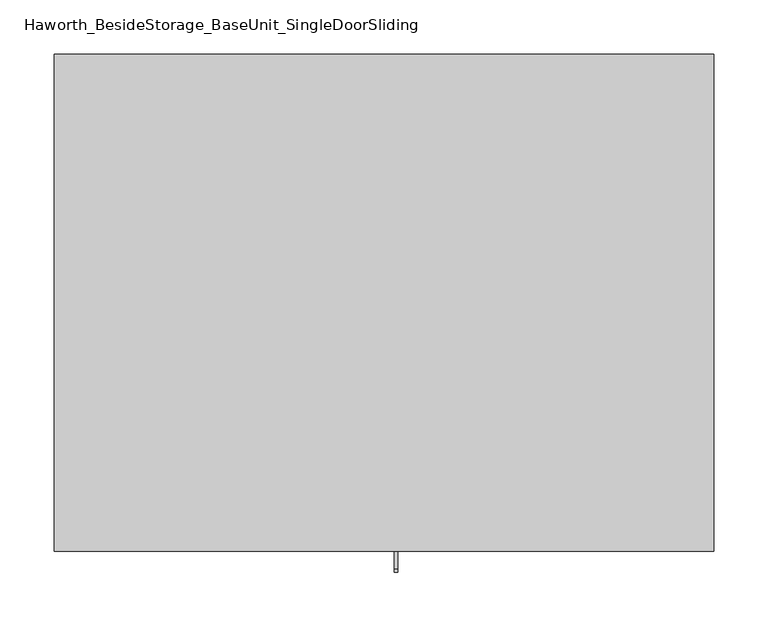
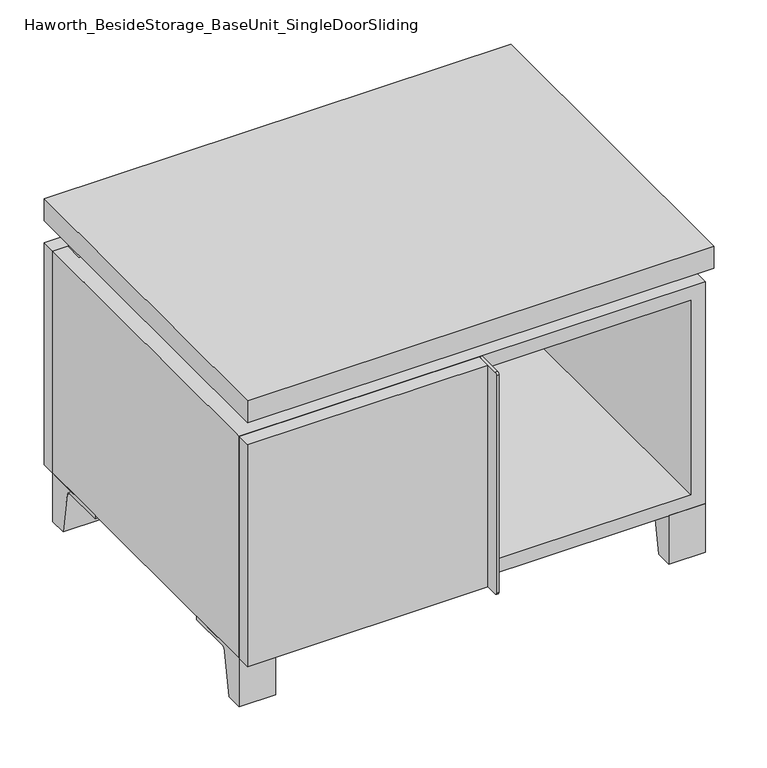
"""IFC4 building model written with IfcOpenShell, lengths in millimetres: furniture geometry, Haworth_BesideStorage_BaseUnit_SingleDoorSliding."""

from ifc_helpers import new_model, si_unit, point, frame, frame_2d, origin, place, context, project, spatial, polyline, circle_curve, trimmed, segment, composite_curve, outline, extrude, faceted_brep, source, transform, mapped, element, save


def haworth_besidestorage_baseunit_singledoorsliding_89e0388c(model_context):
    return source(origin(), model_context, "Body", "SolidModel", [
        extrude(outline(composite_curve([segment(polyline([(-123.2958469, 0.0), (-146.05, 0.0), (-146.05, 66.675), (-50.8, 66.675), (-50.8, 61.8963321), (-107.6005345, 61.8963321)]), True, "CONTINUOUS"), segment(trimmed(circle_curve(frame_2d((-107.6005345, 55.5463321)), 6.35), [point((-107.6005345, 61.8963321))], [point((-113.8641359, 56.5902656))], True, "CARTESIAN"), True, "CONTINUOUS"), segment(polyline([(-113.8641359, 56.5902656), (-123.2958469, 0.0)]), True, "CONTINUOUS")], self_intersect=False)), frame((255.6013906, 0.0, 0.0), z_axis=(1.0, 0.0, 0.0), x_axis=(0.0, 1.0, 0.0)), (0.0, 0.0, 1.0), 47.625),
        extrude(outline(composite_curve([segment(polyline([(250.2958469, 0.0), (240.8641359, 56.5902656)]), True, "CONTINUOUS"), segment(trimmed(circle_curve(frame_2d((234.6005345, 55.5463321)), 6.35), [point((240.8641359, 56.5902656))], [point((234.6005345, 61.8963321))], True, "CARTESIAN"), True, "CONTINUOUS"), segment(polyline([(234.6005345, 61.8963321), (177.8, 61.8963321), (177.8, 66.675), (273.05, 66.675), (273.05, 0.0), (250.2958469, 0.0)]), True, "CONTINUOUS")], self_intersect=False)), frame((255.6013906, 0.0, 0.0), z_axis=(1.0, 0.0, 0.0), x_axis=(0.0, 1.0, 0.0)), (0.0, 0.0, 1.0), 47.625),
        extrude(outline(composite_curve([segment(polyline([(-123.2958469, 0.0), (-146.05, 0.0), (-146.05, 66.675), (-50.8, 66.675), (-50.8, 61.8963321), (-107.6005345, 61.8963321)]), True, "CONTINUOUS"), segment(trimmed(circle_curve(frame_2d((-107.6005345, 55.5463321)), 6.35), [point((-107.6005345, 61.8963321))], [point((-113.8641359, 56.5902656))], True, "CARTESIAN"), True, "CONTINUOUS"), segment(polyline([(-113.8641359, 56.5902656), (-123.2958469, 0.0)]), True, "CONTINUOUS")], self_intersect=False)), frame((-303.1986094, 0.0, 0.0), z_axis=(1.0, 0.0, 0.0), x_axis=(0.0, 1.0, 0.0)), (0.0, 0.0, 1.0), 47.625),
        extrude(outline(composite_curve([segment(polyline([(250.2958469, 0.0), (240.8641359, 56.5902656)]), True, "CONTINUOUS"), segment(trimmed(circle_curve(frame_2d((234.6005345, 55.5463321)), 6.35), [point((240.8641359, 56.5902656))], [point((234.6005345, 61.8963321))], True, "CARTESIAN"), True, "CONTINUOUS"), segment(polyline([(234.6005345, 61.8963321), (177.8, 61.8963321), (177.8, 66.675), (273.05, 66.675), (273.05, 0.0), (250.2958469, 0.0)]), True, "CONTINUOUS")], self_intersect=False)), frame((-303.1986094, 0.0, 0.0), z_axis=(1.0, 0.0, 0.0), x_axis=(0.0, 1.0, 0.0)), (0.0, 0.0, 1.0), 47.625),
        faceted_brep([(-303.1986094, -146.05, 66.675), (303.2125, -146.05, 66.675), (303.2125, -146.05, 371.475), (-303.1986094, -146.05, 371.475), (-284.1486094, -146.05, 85.725), (-284.1486094, -146.05, 352.425), (284.1694453, -146.05, 352.425), (284.1486094, -146.05, 85.725), (-303.1986094, 273.05, 66.675), (-303.1986094, 273.05, 371.475), (-284.1486094, 273.05, 371.475), (-284.1486094, 273.05, 85.725), (284.1486094, 273.05, 85.725), (284.1486094, 273.05, 371.475), (303.2125, 273.05, 371.475), (303.2125, 273.05, 66.675), (284.1486094, 247.65, 371.475), (-284.1416641, 247.65, 371.475), (-284.1486094, 247.65, 352.425), (284.1486094, 247.65, 352.425)], [[[0, 1, 2, 3], [4, 5, 6, 7]], [[8, 9, 10, 11, 12, 13, 14, 15]], [[1, 0, 8, 15]], [[2, 1, 15, 14]], [[3, 2, 14, 13, 16, 17, 10, 9]], [[0, 3, 9, 8]], [[11, 10, 17, 18, 5, 4]], [[13, 12, 7, 6, 19, 16]], [[4, 7, 12, 11]], [[6, 5, 18, 19]], [[17, 16, 19, 18]]]),
        extrude(outline(polyline([(303.2263906, -165.1), (-303.1986094, -165.1), (-303.1986094, 292.1), (303.2263906, 292.1), (303.2263906, -165.1)])), frame((0.0, 0.0, 401.6375), z_axis=(0.0, 0.0, 1.0), x_axis=(1.0, 0.0, 0.0)), (0.0, 0.0, 1.0), 30.1625),
        faceted_brep([(7.9513906, -69.85, 401.6375), (7.9513906, -69.85, 371.475), (7.9513906, 53.975, 371.475), (7.9513906, 53.975, 401.6375), (7.9513906, 196.85, 371.475), (7.9513906, 196.85, 401.6375), (7.9513906, 73.025, 401.6375), (7.9513906, 73.025, 371.475), (-7.9236094, 196.85, 401.6375), (-7.9236094, 196.85, 371.475), (-7.9236094, 73.025, 371.475), (-7.9236094, 73.025, 401.6375), (-7.9236094, -69.85, 371.475), (-7.9236094, -69.85, 401.6375), (-7.9236094, 53.975, 401.6375), (-7.9236094, 53.975, 371.475), (-261.8958281, 73.025, 401.6375), (-261.9166641, 247.65, 401.6375), (-277.7916641, 247.65, 401.6375), (-277.7916641, -120.65, 401.6375), (-261.9166641, -120.65, 401.6375), (-261.9166641, 53.975, 401.6375), (261.9236094, 53.975, 401.6375), (261.9236094, -120.65, 401.6375), (277.7986094, -120.65, 401.6375), (277.7986094, 247.65, 401.6375), (261.9236094, 247.65, 401.6375), (261.9236094, 73.025, 401.6375), (-261.8958281, 53.975, 371.475), (-261.9166641, -120.65, 371.475), (-277.7916641, -120.65, 371.475), (-277.7916641, 247.65, 371.475), (-261.9166641, 247.65, 371.475), (-261.9166641, 73.025, 371.475), (261.9236094, 73.025, 371.475), (261.9236094, 247.65, 371.475), (277.7986094, 247.65, 371.475), (277.7986094, -120.65, 371.475), (261.9236094, -120.65, 371.475), (261.9236094, 53.975, 371.475)], [[[0, 1, 2, 3]], [[4, 5, 6, 7]], [[8, 9, 10, 11]], [[12, 13, 14, 15]], [[5, 8, 11, 16, 17, 18, 19, 20, 21, 14, 13, 0, 3, 22, 23, 24, 25, 26, 27, 6]], [[1, 12, 15, 28, 29, 30, 31, 32, 33, 10, 9, 4, 7, 34, 35, 36, 37, 38, 39, 2]], [[5, 4, 9, 8]], [[1, 0, 13, 12]], [[6, 27, 34, 7]], [[22, 3, 2, 39]], [[20, 29, 28, 21]], [[32, 17, 16, 33]], [[18, 31, 30, 19]], [[29, 20, 19, 30]], [[17, 32, 31, 18]], [[26, 35, 34, 27]], [[38, 23, 22, 39]], [[25, 24, 37, 36]], [[23, 38, 37, 24]], [[35, 26, 25, 36]], [[16, 11, 10, 33]], [[14, 21, 28, 15]]]),
        extrude(outline(polyline([(9.5388906, 203.2), (9.5388906, -146.05), (-9.5111094, -146.05), (-9.5111094, 203.2), (9.5388906, 203.2)])), frame((0.0, 0.0, 85.725), z_axis=(0.0, 0.0, 1.0), x_axis=(1.0, 0.0, 0.0)), (0.0, 0.0, 1.0), 266.7),
        extrude(outline(polyline([(303.2263906, 273.05), (-303.1986094, 273.05), (-303.1986094, 292.1), (303.2263906, 292.1), (303.2263906, 273.05)])), frame((0.0, 0.0, 66.675), z_axis=(0.0, 0.0, 1.0), x_axis=(1.0, 0.0, 0.0)), (0.0, 0.0, 1.0), 304.8),
        extrude(outline(polyline([(-284.1416641, 203.2), (-284.1416641, 209.55), (284.1694453, 209.55), (284.1694453, 203.2), (-284.1416641, 203.2)])), frame((0.0, 0.0, 85.725), z_axis=(0.0, 0.0, 1.0), x_axis=(1.0, 0.0, 0.0)), (0.0, 0.0, 1.0), 266.7),
        extrude(outline(composite_curve([segment(polyline([(-146.05, 371.475), (-146.05, 66.675), (-180.975, 66.675)]), True, "CONTINUOUS"), segment(trimmed(circle_curve(frame_2d((-180.975, 69.85)), 3.175), [point((-180.975, 66.675))], [point((-184.15, 69.85))], False, "CARTESIAN"), True, "CONTINUOUS"), segment(polyline([(-184.15, 69.85), (-184.15, 368.3)]), True, "CONTINUOUS"), segment(trimmed(circle_curve(frame_2d((-180.975, 368.3)), 3.175), [point((-184.15, 368.3))], [point((-180.975, 371.475))], False, "CARTESIAN"), True, "CONTINUOUS"), segment(polyline([(-180.975, 371.475), (-146.05, 371.475)]), True, "CONTINUOUS")], self_intersect=False)), frame((9.5388906, 0.0, 0.0), z_axis=(1.0, 0.0, 0.0), x_axis=(0.0, 1.0, 0.0)), (0.0, 0.0, 1.0), 3.175),
        extrude(outline(polyline([(-303.1986094, -146.05), (9.5388906, -146.05), (9.5388906, -165.1), (-303.1986094, -165.1), (-303.1986094, -146.05)])), frame((0.0, 0.0, 66.675), z_axis=(0.0, 0.0, 1.0), x_axis=(1.0, 0.0, 0.0)), (0.0, 0.0, 1.0), 304.8),
    ])


if __name__ == "__main__":
    model = new_model("IFC4")
    model_context = context("Model", 3, world=origin())
    ifc_project = project(units=[si_unit("LENGTHUNIT", "METRE", prefix="MILLI")], contexts=[model_context])
    site = spatial("IfcSite", under=ifc_project)
    building = spatial("IfcBuilding", under=site)
    placement = place(None, origin())
    haworth_besidestorage_baseunit_singledoorsliding_shape = haworth_besidestorage_baseunit_singledoorsliding_89e0388c(model_context)
    element("IfcFurniture", 1, ObjectType="Haworth_BesideStorage_BaseUnit_SingleDoorSliding", at=placement, inside=building, context=model_context, shape_type="MappedRepresentation", body=[
        mapped(haworth_besidestorage_baseunit_singledoorsliding_shape, transform((0.0, 0.0, 0.0), x_axis=(1.0, 0.0, 0.0), y_axis=(0.0, 1.0, 0.0), z_axis=(0.0, 0.0, 1.0))),
    ])
    save(model, "model.ifc")
